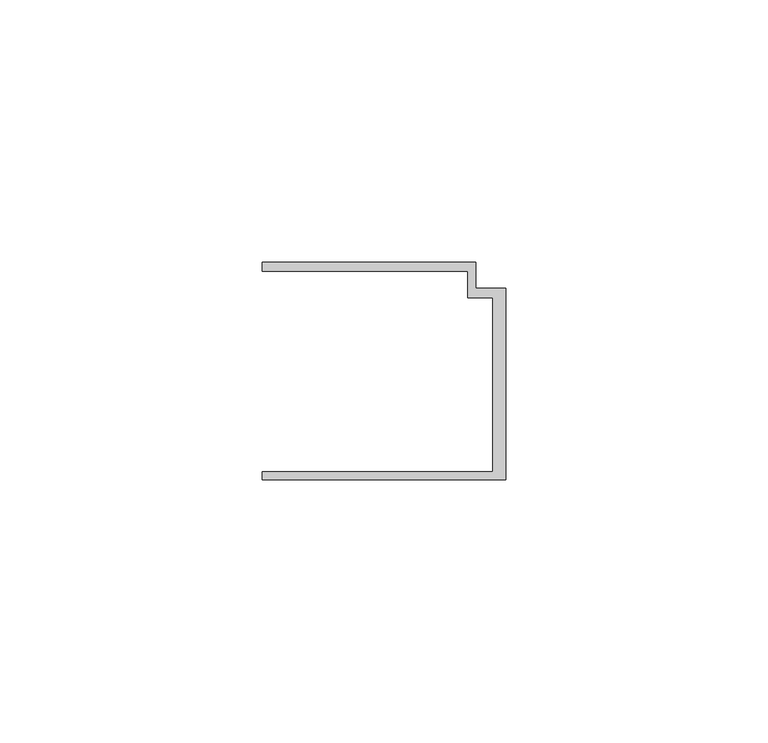
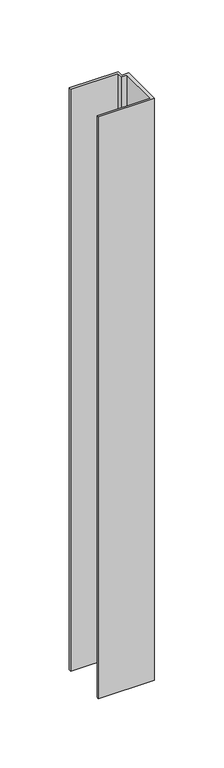
"""IFC4 building model written with IfcOpenShell, lengths in millimetres: member geometry."""

from ifc_helpers import new_model, si_unit, frame, origin, place, context, project, spatial, polyline, outline, extrude, source, transform, mapped, element, save


def member_8815d757(model_context):
    return source(origin(), model_context, "Body", "SweptSolid", [
        extrude(outline(polyline([(-46.3, -19.2), (-2.4, -19.2), (-2.4, 14.0), (-7.2, 14.0), (-7.2, 19.0), (-46.3, 19.0), (-46.3, 20.7), (-5.6999992, 20.7), (-5.6999992, 15.8), (0.0, 15.8), (0.0, -20.7), (-46.3, -20.7), (-46.3, -19.2)])), frame((0.0, 0.0, -511.1262717), z_axis=(0.0, 0.0, 1.0), x_axis=(1.0, 0.0, 0.0)), (0.0, 0.0, 1.0), 511.1262717),
    ])


if __name__ == "__main__":
    model = new_model("IFC4")
    model_context = context("Model", 3, world=origin())
    ifc_project = project(units=[si_unit("LENGTHUNIT", "METRE", prefix="MILLI")], contexts=[model_context])
    site = spatial("IfcSite", under=ifc_project)
    building = spatial("IfcBuilding", under=site)
    placement = place(None, origin())
    member_shape = member_8815d757(model_context)
    element("IfcMember", 1, at=placement, inside=building, context=model_context, shape_type="MappedRepresentation", body=[
        mapped(member_shape, transform((0.0, 0.0, 0.0), x_axis=(1.0, 0.0, 0.0), y_axis=(0.0, 1.0, 0.0), z_axis=(0.0, 0.0, 1.0))),
    ])
    save(model, "model.ifc")
